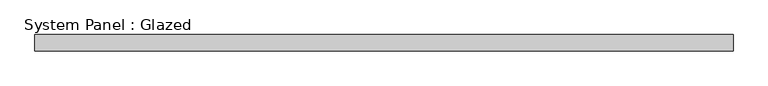
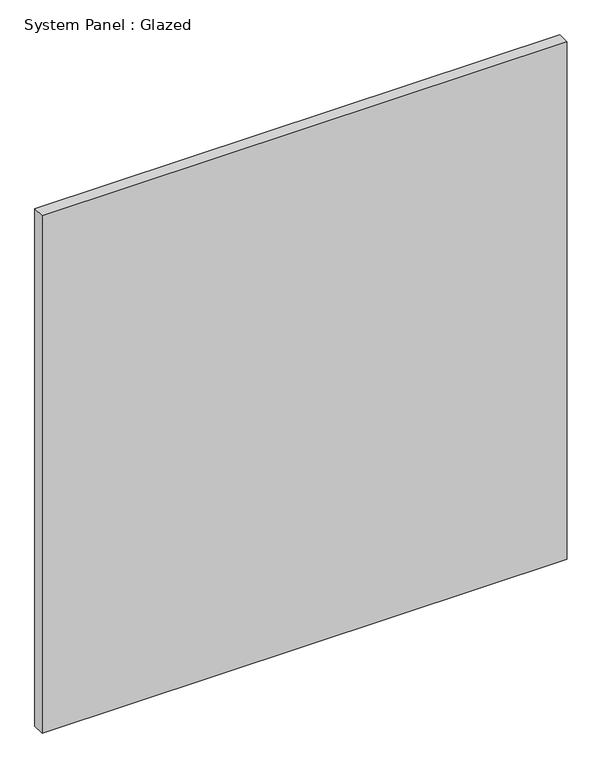
"""IFC4 building model written with IfcOpenShell, lengths in millimetres: plate geometry, System Panel : Glazed."""

from ifc_helpers import new_model, si_unit, origin, origin_with_axes, place, context, project, spatial, polyline, outline, extrude, source, transform, mapped, element, save


def system_panel_glazed_a159817e(model_context):
    return source(origin(), model_context, "Body", "SweptSolid", [
        extrude(outline(polyline([(539.75, 19.05), (-539.75, 19.05), (-539.75, 44.45), (539.75, 44.45), (539.75, 19.05)])), origin_with_axes(), (0.0, 0.0, 1.0), 1123.95),
    ])


if __name__ == "__main__":
    model = new_model("IFC4")
    model_context = context("Model", 3, world=origin())
    ifc_project = project(units=[si_unit("LENGTHUNIT", "METRE", prefix="MILLI")], contexts=[model_context])
    site = spatial("IfcSite", under=ifc_project)
    building = spatial("IfcBuilding", under=site)
    placement = place(None, origin())
    system_panel_glazed_shape = system_panel_glazed_a159817e(model_context)
    element("IfcPlate", 1, ObjectType="System Panel : Glazed", at=placement, inside=building, context=model_context, shape_type="MappedRepresentation", body=[
        mapped(system_panel_glazed_shape, transform((0.0, 0.0, 0.0), x_axis=(1.0, 0.0, 0.0), y_axis=(0.0, 1.0, 0.0), z_axis=(0.0, 0.0, 1.0))),
    ])
    save(model, "model.ifc")
